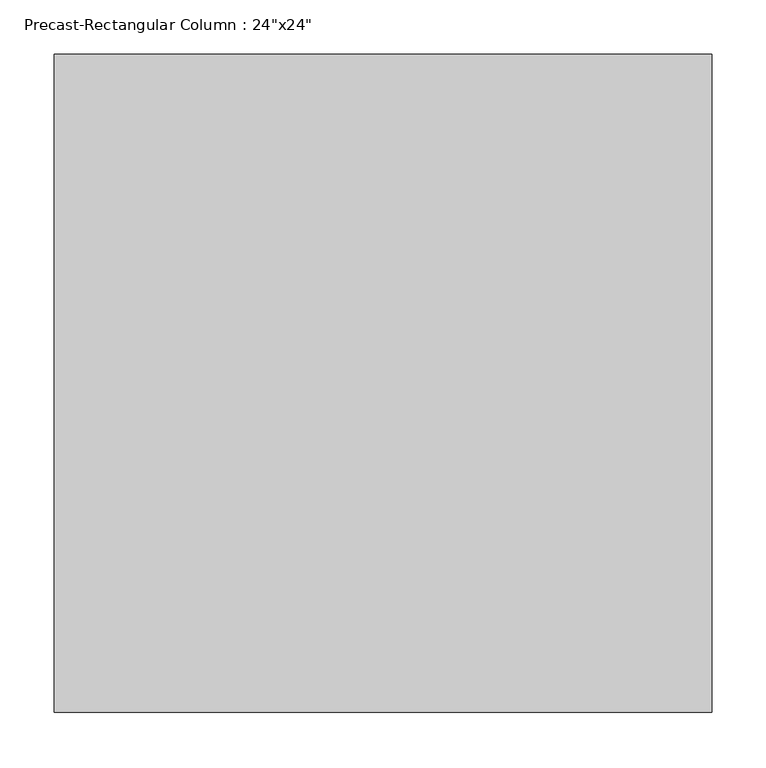
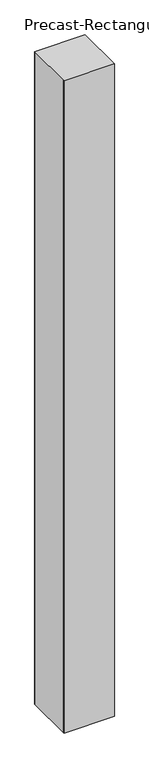
"""IFC4 building model written with IfcOpenShell, lengths in millimetres: column geometry."""

from ifc_helpers import new_model, si_unit, frame, origin, place, context, project, spatial, polyline, outline, extrude, source, transform, mapped, element, save


def column_cc9aee47(model_context):
    return source(origin(), model_context, "Body", "SweptSolid", [
        extrude(outline(polyline([(304.8, 304.8), (304.8, 294.8), (304.8, -294.8), (304.8, -304.8), (-304.8, -304.8), (-304.8, -294.8), (-304.8, 294.8), (-304.8, 304.8), (304.8, 304.8)])), frame((0.0, 0.0, -762.0), z_axis=(0.0, 0.0, 1.0), x_axis=(1.0, 0.0, 0.0)), (0.0, 0.0, 1.0), 8331.2),
    ])


if __name__ == "__main__":
    model = new_model("IFC4")
    model_context = context("Model", 3, world=origin())
    ifc_project = project(units=[si_unit("LENGTHUNIT", "METRE", prefix="MILLI")], contexts=[model_context])
    site = spatial("IfcSite", under=ifc_project)
    building = spatial("IfcBuilding", under=site)
    placement = place(None, origin())
    column_shape = column_cc9aee47(model_context)
    element("IfcColumn", 1, ObjectType="Precast-Rectangular Column : 24\"x24\"", at=placement, inside=building, context=model_context, shape_type="MappedRepresentation", body=[
        mapped(column_shape, transform((0.0, 0.0, 0.0), x_axis=(1.0, 0.0, 0.0), y_axis=(0.0, 1.0, 0.0), z_axis=(0.0, 0.0, 1.0))),
    ])
    save(model, "model.ifc")
